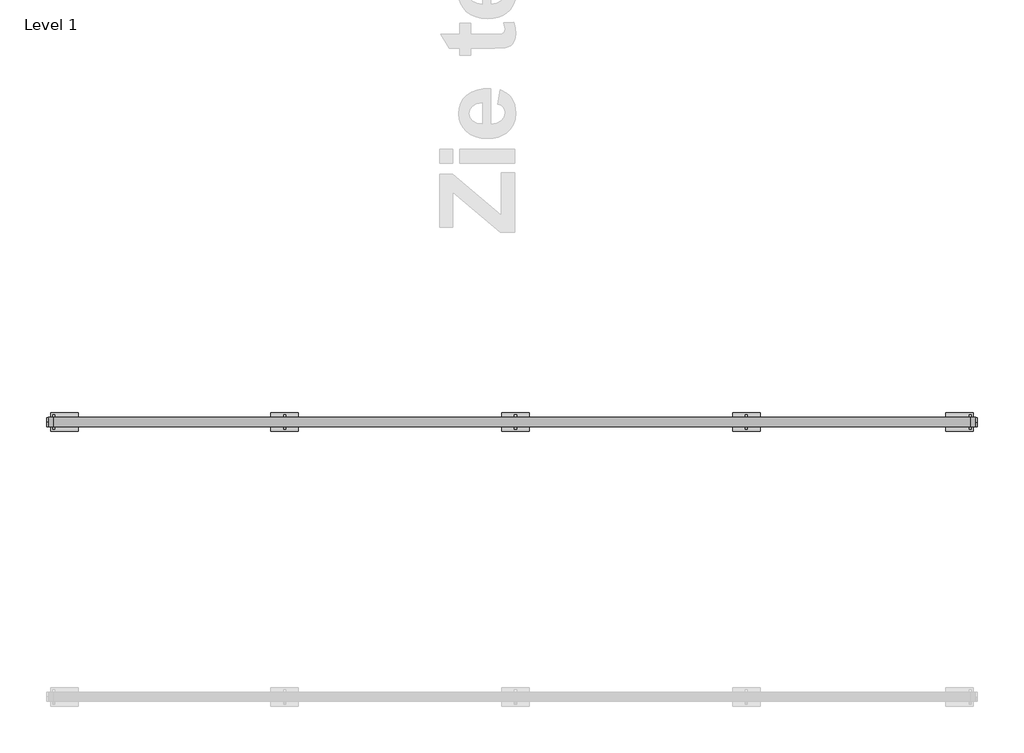
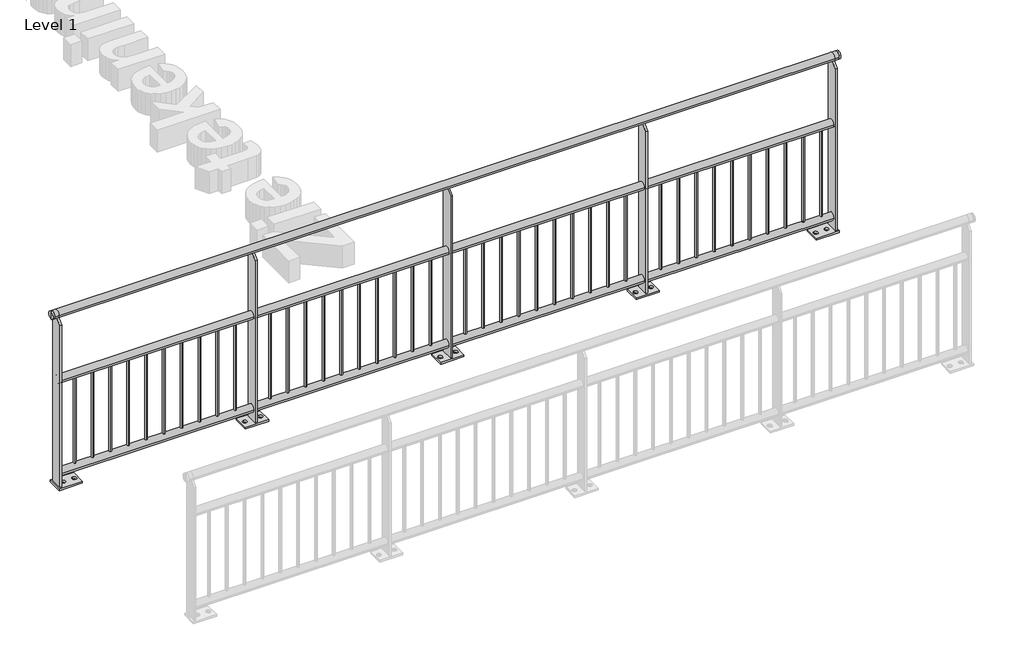
# One storey, part 5 of 20: 1 railing.
"""IFC4 building model written with IfcOpenShell, lengths in millimetres."""

from ifc_helpers import new_model, si_unit, point, frame, frame_2d, origin, origin_with_axes, place, context, project, spatial, polyline, circle_curve, trimmed, segment, composite_curve, outline, extrude, element, save
from ifc_brep_helpers import plane_surface, cylinder_surface, advanced_brep

model = new_model("IFC4")

# Units and contexts
model_context = context("Model", 3, world=origin())
ifc_project = project(units=[si_unit("LENGTHUNIT", "METRE", prefix="MILLI")], contexts=[model_context])

# Site, building, storey
site = spatial("IfcSite", under=ifc_project)
building = spatial("IfcBuilding", under=site)
storey = spatial("IfcBuildingStorey", under=building, Name="Level 1", Elevation=0.0)

# Railing
placement = place(None, origin())
element("IfcRailing", 1, at=placement, inside=storey, context=model_context, shape_type="SolidModel", body=[
    advanced_brep(
    [(7290.6479588, -7950.6318854, 1175.0), (7290.6479588, -7950.6318854, 1200.0), (7290.6479588, -7950.6318854, 1150.0), (7300.6479588, -7950.6318854, 1150.0), (7300.6479588, -7950.6318854, 1200.0), (7300.6479588, -7950.6318854, 1175.0)],
    [
        (0, 1),
        (1, 2, circle_curve(frame((7290.6479588, -7950.6318854, 1175.0), z_axis=(-1.0, 0.0, 0.0), x_axis=(0.0, 0.0, 1.0)), 25.0)),
        (2, 0),
        (2, 1, circle_curve(frame((7290.6479588, -7950.6318854, 1175.0), z_axis=(-1.0, 0.0, 0.0), x_axis=(0.0, 0.0, 1.0)), 25.0)),
        (3, 4, circle_curve(frame((7300.6479588, -7950.6318854, 1175.0), z_axis=(1.0, 0.0, 0.0), x_axis=(0.0, 0.0, 1.0)), 25.0)),
        (4, 5),
        (5, 3),
        (4, 3, circle_curve(frame((7300.6479588, -7950.6318854, 1175.0), z_axis=(1.0, 0.0, 0.0), x_axis=(0.0, 0.0, 1.0)), 25.0)),
        (1, 4),
        (3, 2),
    ],
    [
        plane_surface(frame((7290.6479588, -7950.6318854, 1175.0), z_axis=(-1.0, 0.0, 0.0), x_axis=(0.0, 0.0, 1.0))),
        plane_surface(frame((7300.6479588, -7950.6318854, 1175.0), z_axis=(1.0, 0.0, 0.0), x_axis=(0.0, 0.0, 1.0))),
        cylinder_surface(frame((7275.6479588, -7950.6318854, 1175.0), z_axis=(-1.0, 0.0, 0.0), x_axis=(0.0, 0.0, 1.0)), 25.0),
    ],
    [
        (0, [[1, 2, 3]]),
        (0, [[-3, 4, -1]]),
        (1, [[5, 6, 7]]),
        (1, [[8, -7, -6]]),
        (2, [[-2, 9, -5, 10]]),
        (2, [[-4, -10, -8, -9]]),
    ],
),
    advanced_brep(
    [(2229.1925079, -7950.6318854, 1175.0), (2229.1925079, -7950.6318854, 1200.0), (2229.1925079, -7950.6318854, 1150.0), (2219.1925079, -7950.6318854, 1150.0), (2219.1925079, -7950.6318854, 1200.0), (2219.1925079, -7950.6318854, 1175.0)],
    [
        (0, 1),
        (1, 2, circle_curve(frame((2229.1925079, -7950.6318854, 1175.0), z_axis=(1.0, 0.0, 0.0), x_axis=(0.0, 0.0, 1.0)), 25.0)),
        (2, 0),
        (2, 1, circle_curve(frame((2229.1925079, -7950.6318854, 1175.0), z_axis=(1.0, 0.0, 0.0), x_axis=(0.0, 0.0, 1.0)), 25.0)),
        (3, 4, circle_curve(frame((2219.1925079, -7950.6318854, 1175.0), z_axis=(-1.0, 0.0, 0.0), x_axis=(0.0, 0.0, 1.0)), 25.0)),
        (4, 5),
        (5, 3),
        (4, 3, circle_curve(frame((2219.1925079, -7950.6318854, 1175.0), z_axis=(-1.0, 0.0, 0.0), x_axis=(0.0, 0.0, 1.0)), 25.0)),
        (1, 4),
        (3, 2),
    ],
    [
        plane_surface(frame((2229.1925079, -7950.6318854, 1175.0), z_axis=(1.0, 0.0, 0.0), x_axis=(0.0, 0.0, 1.0))),
        plane_surface(frame((2219.1925079, -7950.6318854, 1175.0), z_axis=(-1.0, 0.0, 0.0), x_axis=(0.0, 0.0, 1.0))),
        cylinder_surface(frame((2244.1925079, -7950.6318854, 1175.0), z_axis=(1.0, 0.0, 0.0), x_axis=(0.0, 0.0, 1.0)), 25.0),
    ],
    [
        (0, [[1, 2, 3]]),
        (0, [[-3, 4, -1]]),
        (1, [[5, 6, 7]]),
        (1, [[8, -7, -6]]),
        (2, [[-2, 9, -5, 10]]),
        (2, [[-4, -10, -8, -9]]),
    ],
),
    advanced_brep(
    [(2259.1925079, -7925.6318854, 1175.0), (2259.1925079, -7975.6318854, 1175.0), (7260.6479588, -7975.6318854, 1175.0), (7260.6479588, -7925.6318854, 1175.0), (2229.1925079, -7975.6318854, 1175.0), (2229.1925079, -7925.6318854, 1175.0), (7290.6479588, -7975.6318854, 1175.0), (7290.6479588, -7925.6318854, 1175.0)],
    [
        (0, 1, circle_curve(frame((2259.1925079, -7950.6318854, 1175.0), z_axis=(1.0, 0.0, 0.0), x_axis=(0.0, 1.0, 0.0)), 25.0)),
        (1, 2),
        (2, 3, circle_curve(frame((7260.6479588, -7950.6318854, 1175.0), z_axis=(-1.0, 0.0, 0.0), x_axis=(0.0, 1.0, 0.0)), 25.0)),
        (3, 0),
        (1, 0, circle_curve(frame((2259.1925079, -7950.6318854, 1175.0), z_axis=(1.0, 0.0, 0.0), x_axis=(0.0, 1.0, 0.0)), 25.0)),
        (3, 2, circle_curve(frame((7260.6479588, -7950.6318854, 1175.0), z_axis=(-1.0, 0.0, 0.0), x_axis=(0.0, 1.0, 0.0)), 25.0)),
        (4, 5, circle_curve(frame((2229.1925079, -7950.6318854, 1175.0), z_axis=(-1.0, 0.0, 0.0), x_axis=(0.0, 1.0, 0.0)), 25.0)),
        (5, 4, circle_curve(frame((2229.1925079, -7950.6318854, 1175.0), z_axis=(-1.0, 0.0, 0.0), x_axis=(0.0, 1.0, 0.0)), 25.0)),
        (4, 1),
        (0, 5),
        (6, 7, circle_curve(frame((7290.6479588, -7950.6318854, 1175.0), z_axis=(1.0, 0.0, 0.0), x_axis=(0.0, 1.0, 0.0)), 25.0)),
        (7, 6, circle_curve(frame((7290.6479588, -7950.6318854, 1175.0), z_axis=(1.0, 0.0, 0.0), x_axis=(0.0, 1.0, 0.0)), 25.0)),
        (2, 6),
        (7, 3),
    ],
    [
        cylinder_surface(frame((2259.1925079, -7950.6318854, 1175.0), z_axis=(-1.0, 0.0, 0.0), x_axis=(0.0, 1.0, 0.0)), 25.0),
        plane_surface(frame((2229.1925079, -7950.6318854, 1200.0), z_axis=(-1.0, 0.0, 0.0), x_axis=(0.0, 1.0, 0.0))),
        cylinder_surface(frame((2229.1925079, -7950.6318854, 1175.0), z_axis=(-1.0, 0.0, 0.0), x_axis=(0.0, 1.0, 0.0)), 25.0),
        plane_surface(frame((7290.6479588, -7950.6318854, 1200.0), z_axis=(1.0, 0.0, 0.0), x_axis=(0.0, 1.0, 0.0))),
        cylinder_surface(frame((7260.6479588, -7950.6318854, 1175.0), z_axis=(-1.0, 0.0, 0.0), x_axis=(0.0, 1.0, 0.0)), 25.0),
    ],
    [
        (0, [[1, 2, 3, 4]]),
        (0, [[5, -4, 6, -2]]),
        (1, [[7, 8]]),
        (2, [[-7, 9, -1, 10]]),
        (2, [[-8, -10, -5, -9]]),
        (3, [[11, 12]]),
        (4, [[-3, 13, -12, 14]]),
        (4, [[-6, -14, -11, -13]]),
    ],
),
    extrude(outline(composite_curve([segment(trimmed(circle_curve(frame_2d((-7950.6318854, 725.0)), 25.0), [point((-7925.6318854, 725.0))], [point((-7975.6318854, 725.0))], False, "CARTESIAN"), True, "CONTINUOUS"), segment(trimmed(circle_curve(frame_2d((-7950.6318854, 725.0)), 25.0), [point((-7975.6318854, 725.0))], [point((-7925.6318854, 725.0))], False, "CARTESIAN"), True, "CONTINUOUS")], self_intersect=False)), frame((2259.1925079, 0.0, 0.0), z_axis=(1.0, 0.0, 0.0), x_axis=(0.0, 1.0, 0.0)), (0.0, 0.0, 1.0), 5001.4554508),
    extrude(outline(composite_curve([segment(trimmed(circle_curve(frame_2d((-7950.6318854, 90.0)), 25.0), [point((-7925.6318854, 90.0))], [point((-7975.6318854, 90.0))], False, "CARTESIAN"), True, "CONTINUOUS"), segment(trimmed(circle_curve(frame_2d((-7950.6318854, 90.0)), 25.0), [point((-7975.6318854, 90.0))], [point((-7925.6318854, 90.0))], False, "CARTESIAN"), True, "CONTINUOUS")], self_intersect=False)), frame((2259.1925079, 0.0, 0.0), z_axis=(1.0, 0.0, 0.0), x_axis=(0.0, 1.0, 0.0)), (0.0, 0.0, 1.0), 5001.4554508),
    extrude(outline(composite_curve([segment(trimmed(circle_curve(frame_2d((7186.6925079, -7950.6318854)), 7.5), [point((7186.6925079, -7943.1318854))], [point((7186.6925079, -7958.1318854))], False, "CARTESIAN"), True, "CONTINUOUS"), segment(trimmed(circle_curve(frame_2d((7186.6925079, -7950.6318854)), 7.5), [point((7186.6925079, -7958.1318854))], [point((7186.6925079, -7943.1318854))], False, "CARTESIAN"), True, "CONTINUOUS")], self_intersect=False)), frame((0.0, 0.0, 115.0), z_axis=(0.0, 0.0, 1.0), x_axis=(1.0, 0.0, 0.0)), (0.0, 0.0, 1.0), 585.0),
    extrude(outline(composite_curve([segment(trimmed(circle_curve(frame_2d((7071.6925079, -7950.6318854)), 7.5), [point((7071.6925079, -7943.1318854))], [point((7071.6925079, -7958.1318854))], False, "CARTESIAN"), True, "CONTINUOUS"), segment(trimmed(circle_curve(frame_2d((7071.6925079, -7950.6318854)), 7.5), [point((7071.6925079, -7958.1318854))], [point((7071.6925079, -7943.1318854))], False, "CARTESIAN"), True, "CONTINUOUS")], self_intersect=False)), frame((0.0, 0.0, 115.0), z_axis=(0.0, 0.0, 1.0), x_axis=(1.0, 0.0, 0.0)), (0.0, 0.0, 1.0), 585.0),
    extrude(outline(composite_curve([segment(trimmed(circle_curve(frame_2d((6956.6925079, -7950.6318854)), 7.5), [point((6956.6925079, -7943.1318854))], [point((6956.6925079, -7958.1318854))], False, "CARTESIAN"), True, "CONTINUOUS"), segment(trimmed(circle_curve(frame_2d((6956.6925079, -7950.6318854)), 7.5), [point((6956.6925079, -7958.1318854))], [point((6956.6925079, -7943.1318854))], False, "CARTESIAN"), True, "CONTINUOUS")], self_intersect=False)), frame((0.0, 0.0, 115.0), z_axis=(0.0, 0.0, 1.0), x_axis=(1.0, 0.0, 0.0)), (0.0, 0.0, 1.0), 585.0),
    extrude(outline(composite_curve([segment(trimmed(circle_curve(frame_2d((6841.6925079, -7950.6318854)), 7.5), [point((6841.6925079, -7943.1318854))], [point((6841.6925079, -7958.1318854))], False, "CARTESIAN"), True, "CONTINUOUS"), segment(trimmed(circle_curve(frame_2d((6841.6925079, -7950.6318854)), 7.5), [point((6841.6925079, -7958.1318854))], [point((6841.6925079, -7943.1318854))], False, "CARTESIAN"), True, "CONTINUOUS")], self_intersect=False)), frame((0.0, 0.0, 115.0), z_axis=(0.0, 0.0, 1.0), x_axis=(1.0, 0.0, 0.0)), (0.0, 0.0, 1.0), 585.0),
    extrude(outline(composite_curve([segment(trimmed(circle_curve(frame_2d((6726.6925079, -7950.6318854)), 7.5), [point((6726.6925079, -7943.1318854))], [point((6726.6925079, -7958.1318854))], False, "CARTESIAN"), True, "CONTINUOUS"), segment(trimmed(circle_curve(frame_2d((6726.6925079, -7950.6318854)), 7.5), [point((6726.6925079, -7958.1318854))], [point((6726.6925079, -7943.1318854))], False, "CARTESIAN"), True, "CONTINUOUS")], self_intersect=False)), frame((0.0, 0.0, 115.0), z_axis=(0.0, 0.0, 1.0), x_axis=(1.0, 0.0, 0.0)), (0.0, 0.0, 1.0), 585.0),
    extrude(outline(composite_curve([segment(trimmed(circle_curve(frame_2d((6611.6925079, -7950.6318854)), 7.5), [point((6611.6925079, -7943.1318854))], [point((6611.6925079, -7958.1318854))], False, "CARTESIAN"), True, "CONTINUOUS"), segment(trimmed(circle_curve(frame_2d((6611.6925079, -7950.6318854)), 7.5), [point((6611.6925079, -7958.1318854))], [point((6611.6925079, -7943.1318854))], False, "CARTESIAN"), True, "CONTINUOUS")], self_intersect=False)), frame((0.0, 0.0, 115.0), z_axis=(0.0, 0.0, 1.0), x_axis=(1.0, 0.0, 0.0)), (0.0, 0.0, 1.0), 585.0),
    extrude(outline(composite_curve([segment(trimmed(circle_curve(frame_2d((6496.6925079, -7950.6318854)), 7.5), [point((6496.6925079, -7943.1318854))], [point((6496.6925079, -7958.1318854))], False, "CARTESIAN"), True, "CONTINUOUS"), segment(trimmed(circle_curve(frame_2d((6496.6925079, -7950.6318854)), 7.5), [point((6496.6925079, -7958.1318854))], [point((6496.6925079, -7943.1318854))], False, "CARTESIAN"), True, "CONTINUOUS")], self_intersect=False)), frame((0.0, 0.0, 115.0), z_axis=(0.0, 0.0, 1.0), x_axis=(1.0, 0.0, 0.0)), (0.0, 0.0, 1.0), 585.0),
    extrude(outline(composite_curve([segment(trimmed(circle_curve(frame_2d((6381.6925079, -7950.6318854)), 7.5), [point((6381.6925079, -7943.1318854))], [point((6381.6925079, -7958.1318854))], False, "CARTESIAN"), True, "CONTINUOUS"), segment(trimmed(circle_curve(frame_2d((6381.6925079, -7950.6318854)), 7.5), [point((6381.6925079, -7958.1318854))], [point((6381.6925079, -7943.1318854))], False, "CARTESIAN"), True, "CONTINUOUS")], self_intersect=False)), frame((0.0, 0.0, 115.0), z_axis=(0.0, 0.0, 1.0), x_axis=(1.0, 0.0, 0.0)), (0.0, 0.0, 1.0), 585.0),
    extrude(outline(composite_curve([segment(trimmed(circle_curve(frame_2d((6266.6925079, -7950.6318854)), 7.5), [point((6266.6925079, -7943.1318854))], [point((6266.6925079, -7958.1318854))], False, "CARTESIAN"), True, "CONTINUOUS"), segment(trimmed(circle_curve(frame_2d((6266.6925079, -7950.6318854)), 7.5), [point((6266.6925079, -7958.1318854))], [point((6266.6925079, -7943.1318854))], False, "CARTESIAN"), True, "CONTINUOUS")], self_intersect=False)), frame((0.0, 0.0, 115.0), z_axis=(0.0, 0.0, 1.0), x_axis=(1.0, 0.0, 0.0)), (0.0, 0.0, 1.0), 585.0),
    extrude(outline(composite_curve([segment(trimmed(circle_curve(frame_2d((6151.6925079, -7950.6318854)), 7.5), [point((6151.6925079, -7943.1318854))], [point((6151.6925079, -7958.1318854))], False, "CARTESIAN"), True, "CONTINUOUS"), segment(trimmed(circle_curve(frame_2d((6151.6925079, -7950.6318854)), 7.5), [point((6151.6925079, -7958.1318854))], [point((6151.6925079, -7943.1318854))], False, "CARTESIAN"), True, "CONTINUOUS")], self_intersect=False)), frame((0.0, 0.0, 115.0), z_axis=(0.0, 0.0, 1.0), x_axis=(1.0, 0.0, 0.0)), (0.0, 0.0, 1.0), 585.0),
    extrude(outline(polyline([(-7910.6318854, 12.0), (-7990.6318854, 12.0), (-7990.6318854, 1117.5), (-7958.1318854, 1150.0), (-7943.1318854, 1150.0), (-7910.6318854, 1117.5), (-7910.6318854, 12.0)])), frame((6033.1925079, 0.0, 0.0), z_axis=(1.0, 0.0, 0.0), x_axis=(0.0, 1.0, 0.0)), (0.0, 0.0, 1.0), 12.0),
    extrude(outline(polyline([(5964.1925079, -7900.6318854), (6114.1925079, -7900.6318854), (6114.1925079, -8000.6318854), (5964.1925079, -8000.6318854), (5964.1925079, -7900.6318854)]), holes=[composite_curve([segment(trimmed(circle_curve(frame_2d((5989.1925079, -7950.6318854)), 13.5), [point((5989.1925079, -7964.1318854))], [point((5989.1925079, -7937.1318854))], True, "CARTESIAN"), True, "CONTINUOUS"), segment(trimmed(circle_curve(frame_2d((5989.1925079, -7950.6318854)), 13.5), [point((5989.1925079, -7937.1318854))], [point((5989.1925079, -7964.1318854))], True, "CARTESIAN"), True, "CONTINUOUS")], self_intersect=False), composite_curve([segment(trimmed(circle_curve(frame_2d((6089.1925079, -7950.6318854)), 13.5), [point((6089.1925079, -7964.1318854))], [point((6089.1925079, -7937.1318854))], True, "CARTESIAN"), True, "CONTINUOUS"), segment(trimmed(circle_curve(frame_2d((6089.1925079, -7950.6318854)), 13.5), [point((6089.1925079, -7937.1318854))], [point((6089.1925079, -7964.1318854))], True, "CARTESIAN"), True, "CONTINUOUS")], self_intersect=False)]), origin_with_axes(), (0.0, 0.0, 1.0), 12.0),
    extrude(outline(composite_curve([segment(trimmed(circle_curve(frame_2d((5926.6925079, -7950.6318854)), 7.5), [point((5926.6925079, -7943.1318854))], [point((5926.6925079, -7958.1318854))], False, "CARTESIAN"), True, "CONTINUOUS"), segment(trimmed(circle_curve(frame_2d((5926.6925079, -7950.6318854)), 7.5), [point((5926.6925079, -7958.1318854))], [point((5926.6925079, -7943.1318854))], False, "CARTESIAN"), True, "CONTINUOUS")], self_intersect=False)), frame((0.0, 0.0, 115.0), z_axis=(0.0, 0.0, 1.0), x_axis=(1.0, 0.0, 0.0)), (0.0, 0.0, 1.0), 585.0),
    extrude(outline(composite_curve([segment(trimmed(circle_curve(frame_2d((5811.6925079, -7950.6318854)), 7.5), [point((5811.6925079, -7943.1318854))], [point((5811.6925079, -7958.1318854))], False, "CARTESIAN"), True, "CONTINUOUS"), segment(trimmed(circle_curve(frame_2d((5811.6925079, -7950.6318854)), 7.5), [point((5811.6925079, -7958.1318854))], [point((5811.6925079, -7943.1318854))], False, "CARTESIAN"), True, "CONTINUOUS")], self_intersect=False)), frame((0.0, 0.0, 115.0), z_axis=(0.0, 0.0, 1.0), x_axis=(1.0, 0.0, 0.0)), (0.0, 0.0, 1.0), 585.0),
    extrude(outline(composite_curve([segment(trimmed(circle_curve(frame_2d((5696.6925079, -7950.6318854)), 7.5), [point((5696.6925079, -7943.1318854))], [point((5696.6925079, -7958.1318854))], False, "CARTESIAN"), True, "CONTINUOUS"), segment(trimmed(circle_curve(frame_2d((5696.6925079, -7950.6318854)), 7.5), [point((5696.6925079, -7958.1318854))], [point((5696.6925079, -7943.1318854))], False, "CARTESIAN"), True, "CONTINUOUS")], self_intersect=False)), frame((0.0, 0.0, 115.0), z_axis=(0.0, 0.0, 1.0), x_axis=(1.0, 0.0, 0.0)), (0.0, 0.0, 1.0), 585.0),
    extrude(outline(composite_curve([segment(trimmed(circle_curve(frame_2d((5581.6925079, -7950.6318854)), 7.5), [point((5581.6925079, -7943.1318854))], [point((5581.6925079, -7958.1318854))], False, "CARTESIAN"), True, "CONTINUOUS"), segment(trimmed(circle_curve(frame_2d((5581.6925079, -7950.6318854)), 7.5), [point((5581.6925079, -7958.1318854))], [point((5581.6925079, -7943.1318854))], False, "CARTESIAN"), True, "CONTINUOUS")], self_intersect=False)), frame((0.0, 0.0, 115.0), z_axis=(0.0, 0.0, 1.0), x_axis=(1.0, 0.0, 0.0)), (0.0, 0.0, 1.0), 585.0),
    extrude(outline(composite_curve([segment(trimmed(circle_curve(frame_2d((5466.6925079, -7950.6318854)), 7.5), [point((5466.6925079, -7943.1318854))], [point((5466.6925079, -7958.1318854))], False, "CARTESIAN"), True, "CONTINUOUS"), segment(trimmed(circle_curve(frame_2d((5466.6925079, -7950.6318854)), 7.5), [point((5466.6925079, -7958.1318854))], [point((5466.6925079, -7943.1318854))], False, "CARTESIAN"), True, "CONTINUOUS")], self_intersect=False)), frame((0.0, 0.0, 115.0), z_axis=(0.0, 0.0, 1.0), x_axis=(1.0, 0.0, 0.0)), (0.0, 0.0, 1.0), 585.0),
    extrude(outline(composite_curve([segment(trimmed(circle_curve(frame_2d((5351.6925079, -7950.6318854)), 7.5), [point((5351.6925079, -7943.1318854))], [point((5351.6925079, -7958.1318854))], False, "CARTESIAN"), True, "CONTINUOUS"), segment(trimmed(circle_curve(frame_2d((5351.6925079, -7950.6318854)), 7.5), [point((5351.6925079, -7958.1318854))], [point((5351.6925079, -7943.1318854))], False, "CARTESIAN"), True, "CONTINUOUS")], self_intersect=False)), frame((0.0, 0.0, 115.0), z_axis=(0.0, 0.0, 1.0), x_axis=(1.0, 0.0, 0.0)), (0.0, 0.0, 1.0), 585.0),
    extrude(outline(composite_curve([segment(trimmed(circle_curve(frame_2d((5236.6925079, -7950.6318854)), 7.5), [point((5236.6925079, -7943.1318854))], [point((5236.6925079, -7958.1318854))], False, "CARTESIAN"), True, "CONTINUOUS"), segment(trimmed(circle_curve(frame_2d((5236.6925079, -7950.6318854)), 7.5), [point((5236.6925079, -7958.1318854))], [point((5236.6925079, -7943.1318854))], False, "CARTESIAN"), True, "CONTINUOUS")], self_intersect=False)), frame((0.0, 0.0, 115.0), z_axis=(0.0, 0.0, 1.0), x_axis=(1.0, 0.0, 0.0)), (0.0, 0.0, 1.0), 585.0),
    extrude(outline(composite_curve([segment(trimmed(circle_curve(frame_2d((5121.6925079, -7950.6318854)), 7.5), [point((5121.6925079, -7943.1318854))], [point((5121.6925079, -7958.1318854))], False, "CARTESIAN"), True, "CONTINUOUS"), segment(trimmed(circle_curve(frame_2d((5121.6925079, -7950.6318854)), 7.5), [point((5121.6925079, -7958.1318854))], [point((5121.6925079, -7943.1318854))], False, "CARTESIAN"), True, "CONTINUOUS")], self_intersect=False)), frame((0.0, 0.0, 115.0), z_axis=(0.0, 0.0, 1.0), x_axis=(1.0, 0.0, 0.0)), (0.0, 0.0, 1.0), 585.0),
    extrude(outline(composite_curve([segment(trimmed(circle_curve(frame_2d((5006.6925079, -7950.6318854)), 7.5), [point((5006.6925079, -7943.1318854))], [point((5006.6925079, -7958.1318854))], False, "CARTESIAN"), True, "CONTINUOUS"), segment(trimmed(circle_curve(frame_2d((5006.6925079, -7950.6318854)), 7.5), [point((5006.6925079, -7958.1318854))], [point((5006.6925079, -7943.1318854))], False, "CARTESIAN"), True, "CONTINUOUS")], self_intersect=False)), frame((0.0, 0.0, 115.0), z_axis=(0.0, 0.0, 1.0), x_axis=(1.0, 0.0, 0.0)), (0.0, 0.0, 1.0), 585.0),
    extrude(outline(composite_curve([segment(trimmed(circle_curve(frame_2d((4891.6925079, -7950.6318854)), 7.5), [point((4891.6925079, -7943.1318854))], [point((4891.6925079, -7958.1318854))], False, "CARTESIAN"), True, "CONTINUOUS"), segment(trimmed(circle_curve(frame_2d((4891.6925079, -7950.6318854)), 7.5), [point((4891.6925079, -7958.1318854))], [point((4891.6925079, -7943.1318854))], False, "CARTESIAN"), True, "CONTINUOUS")], self_intersect=False)), frame((0.0, 0.0, 115.0), z_axis=(0.0, 0.0, 1.0), x_axis=(1.0, 0.0, 0.0)), (0.0, 0.0, 1.0), 585.0),
    extrude(outline(polyline([(-7910.6318854, 12.0), (-7990.6318854, 12.0), (-7990.6318854, 1117.5), (-7958.1318854, 1150.0), (-7943.1318854, 1150.0), (-7910.6318854, 1117.5), (-7910.6318854, 12.0)])), frame((4773.1925079, 0.0, 0.0), z_axis=(1.0, 0.0, 0.0), x_axis=(0.0, 1.0, 0.0)), (0.0, 0.0, 1.0), 12.0),
    extrude(outline(polyline([(4704.1925079, -7900.6318854), (4854.1925079, -7900.6318854), (4854.1925079, -8000.6318854), (4704.1925079, -8000.6318854), (4704.1925079, -7900.6318854)]), holes=[composite_curve([segment(trimmed(circle_curve(frame_2d((4729.1925079, -7950.6318854)), 13.5), [point((4729.1925079, -7964.1318854))], [point((4729.1925079, -7937.1318854))], True, "CARTESIAN"), True, "CONTINUOUS"), segment(trimmed(circle_curve(frame_2d((4729.1925079, -7950.6318854)), 13.5), [point((4729.1925079, -7937.1318854))], [point((4729.1925079, -7964.1318854))], True, "CARTESIAN"), True, "CONTINUOUS")], self_intersect=False), composite_curve([segment(trimmed(circle_curve(frame_2d((4829.1925079, -7950.6318854)), 13.5), [point((4829.1925079, -7964.1318854))], [point((4829.1925079, -7937.1318854))], True, "CARTESIAN"), True, "CONTINUOUS"), segment(trimmed(circle_curve(frame_2d((4829.1925079, -7950.6318854)), 13.5), [point((4829.1925079, -7937.1318854))], [point((4829.1925079, -7964.1318854))], True, "CARTESIAN"), True, "CONTINUOUS")], self_intersect=False)]), origin_with_axes(), (0.0, 0.0, 1.0), 12.0),
    extrude(outline(composite_curve([segment(trimmed(circle_curve(frame_2d((4666.6925079, -7950.6318854)), 7.5), [point((4666.6925079, -7943.1318854))], [point((4666.6925079, -7958.1318854))], False, "CARTESIAN"), True, "CONTINUOUS"), segment(trimmed(circle_curve(frame_2d((4666.6925079, -7950.6318854)), 7.5), [point((4666.6925079, -7958.1318854))], [point((4666.6925079, -7943.1318854))], False, "CARTESIAN"), True, "CONTINUOUS")], self_intersect=False)), frame((0.0, 0.0, 115.0), z_axis=(0.0, 0.0, 1.0), x_axis=(1.0, 0.0, 0.0)), (0.0, 0.0, 1.0), 585.0),
    extrude(outline(composite_curve([segment(trimmed(circle_curve(frame_2d((4551.6925079, -7950.6318854)), 7.5), [point((4551.6925079, -7943.1318854))], [point((4551.6925079, -7958.1318854))], False, "CARTESIAN"), True, "CONTINUOUS"), segment(trimmed(circle_curve(frame_2d((4551.6925079, -7950.6318854)), 7.5), [point((4551.6925079, -7958.1318854))], [point((4551.6925079, -7943.1318854))], False, "CARTESIAN"), True, "CONTINUOUS")], self_intersect=False)), frame((0.0, 0.0, 115.0), z_axis=(0.0, 0.0, 1.0), x_axis=(1.0, 0.0, 0.0)), (0.0, 0.0, 1.0), 585.0),
    extrude(outline(composite_curve([segment(trimmed(circle_curve(frame_2d((4436.6925079, -7950.6318854)), 7.5), [point((4436.6925079, -7943.1318854))], [point((4436.6925079, -7958.1318854))], False, "CARTESIAN"), True, "CONTINUOUS"), segment(trimmed(circle_curve(frame_2d((4436.6925079, -7950.6318854)), 7.5), [point((4436.6925079, -7958.1318854))], [point((4436.6925079, -7943.1318854))], False, "CARTESIAN"), True, "CONTINUOUS")], self_intersect=False)), frame((0.0, 0.0, 115.0), z_axis=(0.0, 0.0, 1.0), x_axis=(1.0, 0.0, 0.0)), (0.0, 0.0, 1.0), 585.0),
    extrude(outline(composite_curve([segment(trimmed(circle_curve(frame_2d((4321.6925079, -7950.6318854)), 7.5), [point((4321.6925079, -7943.1318854))], [point((4321.6925079, -7958.1318854))], False, "CARTESIAN"), True, "CONTINUOUS"), segment(trimmed(circle_curve(frame_2d((4321.6925079, -7950.6318854)), 7.5), [point((4321.6925079, -7958.1318854))], [point((4321.6925079, -7943.1318854))], False, "CARTESIAN"), True, "CONTINUOUS")], self_intersect=False)), frame((0.0, 0.0, 115.0), z_axis=(0.0, 0.0, 1.0), x_axis=(1.0, 0.0, 0.0)), (0.0, 0.0, 1.0), 585.0),
    extrude(outline(composite_curve([segment(trimmed(circle_curve(frame_2d((4206.6925079, -7950.6318854)), 7.5), [point((4206.6925079, -7943.1318854))], [point((4206.6925079, -7958.1318854))], False, "CARTESIAN"), True, "CONTINUOUS"), segment(trimmed(circle_curve(frame_2d((4206.6925079, -7950.6318854)), 7.5), [point((4206.6925079, -7958.1318854))], [point((4206.6925079, -7943.1318854))], False, "CARTESIAN"), True, "CONTINUOUS")], self_intersect=False)), frame((0.0, 0.0, 115.0), z_axis=(0.0, 0.0, 1.0), x_axis=(1.0, 0.0, 0.0)), (0.0, 0.0, 1.0), 585.0),
    extrude(outline(composite_curve([segment(trimmed(circle_curve(frame_2d((4091.6925079, -7950.6318854)), 7.5), [point((4091.6925079, -7943.1318854))], [point((4091.6925079, -7958.1318854))], False, "CARTESIAN"), True, "CONTINUOUS"), segment(trimmed(circle_curve(frame_2d((4091.6925079, -7950.6318854)), 7.5), [point((4091.6925079, -7958.1318854))], [point((4091.6925079, -7943.1318854))], False, "CARTESIAN"), True, "CONTINUOUS")], self_intersect=False)), frame((0.0, 0.0, 115.0), z_axis=(0.0, 0.0, 1.0), x_axis=(1.0, 0.0, 0.0)), (0.0, 0.0, 1.0), 585.0),
    extrude(outline(composite_curve([segment(trimmed(circle_curve(frame_2d((3976.6925079, -7950.6318854)), 7.5), [point((3976.6925079, -7943.1318854))], [point((3976.6925079, -7958.1318854))], False, "CARTESIAN"), True, "CONTINUOUS"), segment(trimmed(circle_curve(frame_2d((3976.6925079, -7950.6318854)), 7.5), [point((3976.6925079, -7958.1318854))], [point((3976.6925079, -7943.1318854))], False, "CARTESIAN"), True, "CONTINUOUS")], self_intersect=False)), frame((0.0, 0.0, 115.0), z_axis=(0.0, 0.0, 1.0), x_axis=(1.0, 0.0, 0.0)), (0.0, 0.0, 1.0), 585.0),
    extrude(outline(composite_curve([segment(trimmed(circle_curve(frame_2d((3861.6925079, -7950.6318854)), 7.5), [point((3861.6925079, -7943.1318854))], [point((3861.6925079, -7958.1318854))], False, "CARTESIAN"), True, "CONTINUOUS"), segment(trimmed(circle_curve(frame_2d((3861.6925079, -7950.6318854)), 7.5), [point((3861.6925079, -7958.1318854))], [point((3861.6925079, -7943.1318854))], False, "CARTESIAN"), True, "CONTINUOUS")], self_intersect=False)), frame((0.0, 0.0, 115.0), z_axis=(0.0, 0.0, 1.0), x_axis=(1.0, 0.0, 0.0)), (0.0, 0.0, 1.0), 585.0),
    extrude(outline(composite_curve([segment(trimmed(circle_curve(frame_2d((3746.6925079, -7950.6318854)), 7.5), [point((3746.6925079, -7943.1318854))], [point((3746.6925079, -7958.1318854))], False, "CARTESIAN"), True, "CONTINUOUS"), segment(trimmed(circle_curve(frame_2d((3746.6925079, -7950.6318854)), 7.5), [point((3746.6925079, -7958.1318854))], [point((3746.6925079, -7943.1318854))], False, "CARTESIAN"), True, "CONTINUOUS")], self_intersect=False)), frame((0.0, 0.0, 115.0), z_axis=(0.0, 0.0, 1.0), x_axis=(1.0, 0.0, 0.0)), (0.0, 0.0, 1.0), 585.0),
    extrude(outline(composite_curve([segment(trimmed(circle_curve(frame_2d((3631.6925079, -7950.6318854)), 7.5), [point((3631.6925079, -7943.1318854))], [point((3631.6925079, -7958.1318854))], False, "CARTESIAN"), True, "CONTINUOUS"), segment(trimmed(circle_curve(frame_2d((3631.6925079, -7950.6318854)), 7.5), [point((3631.6925079, -7958.1318854))], [point((3631.6925079, -7943.1318854))], False, "CARTESIAN"), True, "CONTINUOUS")], self_intersect=False)), frame((0.0, 0.0, 115.0), z_axis=(0.0, 0.0, 1.0), x_axis=(1.0, 0.0, 0.0)), (0.0, 0.0, 1.0), 585.0),
    extrude(outline(polyline([(-7910.6318854, 12.0), (-7990.6318854, 12.0), (-7990.6318854, 1117.5), (-7958.1318854, 1150.0), (-7943.1318854, 1150.0), (-7910.6318854, 1117.5), (-7910.6318854, 12.0)])), frame((3513.1925079, 0.0, 0.0), z_axis=(1.0, 0.0, 0.0), x_axis=(0.0, 1.0, 0.0)), (0.0, 0.0, 1.0), 12.0),
    extrude(outline(polyline([(3444.1925079, -7900.6318854), (3594.1925079, -7900.6318854), (3594.1925079, -8000.6318854), (3444.1925079, -8000.6318854), (3444.1925079, -7900.6318854)]), holes=[composite_curve([segment(trimmed(circle_curve(frame_2d((3469.1925079, -7950.6318854)), 13.5), [point((3469.1925079, -7964.1318854))], [point((3469.1925079, -7937.1318854))], True, "CARTESIAN"), True, "CONTINUOUS"), segment(trimmed(circle_curve(frame_2d((3469.1925079, -7950.6318854)), 13.5), [point((3469.1925079, -7937.1318854))], [point((3469.1925079, -7964.1318854))], True, "CARTESIAN"), True, "CONTINUOUS")], self_intersect=False), composite_curve([segment(trimmed(circle_curve(frame_2d((3569.1925079, -7950.6318854)), 13.5), [point((3569.1925079, -7964.1318854))], [point((3569.1925079, -7937.1318854))], True, "CARTESIAN"), True, "CONTINUOUS"), segment(trimmed(circle_curve(frame_2d((3569.1925079, -7950.6318854)), 13.5), [point((3569.1925079, -7937.1318854))], [point((3569.1925079, -7964.1318854))], True, "CARTESIAN"), True, "CONTINUOUS")], self_intersect=False)]), origin_with_axes(), (0.0, 0.0, 1.0), 12.0),
    extrude(outline(composite_curve([segment(trimmed(circle_curve(frame_2d((3406.6925079, -7950.6318854)), 7.5), [point((3406.6925079, -7943.1318854))], [point((3406.6925079, -7958.1318854))], False, "CARTESIAN"), True, "CONTINUOUS"), segment(trimmed(circle_curve(frame_2d((3406.6925079, -7950.6318854)), 7.5), [point((3406.6925079, -7958.1318854))], [point((3406.6925079, -7943.1318854))], False, "CARTESIAN"), True, "CONTINUOUS")], self_intersect=False)), frame((0.0, 0.0, 115.0), z_axis=(0.0, 0.0, 1.0), x_axis=(1.0, 0.0, 0.0)), (0.0, 0.0, 1.0), 585.0),
    extrude(outline(composite_curve([segment(trimmed(circle_curve(frame_2d((3291.6925079, -7950.6318854)), 7.5), [point((3291.6925079, -7943.1318854))], [point((3291.6925079, -7958.1318854))], False, "CARTESIAN"), True, "CONTINUOUS"), segment(trimmed(circle_curve(frame_2d((3291.6925079, -7950.6318854)), 7.5), [point((3291.6925079, -7958.1318854))], [point((3291.6925079, -7943.1318854))], False, "CARTESIAN"), True, "CONTINUOUS")], self_intersect=False)), frame((0.0, 0.0, 115.0), z_axis=(0.0, 0.0, 1.0), x_axis=(1.0, 0.0, 0.0)), (0.0, 0.0, 1.0), 585.0),
    extrude(outline(composite_curve([segment(trimmed(circle_curve(frame_2d((3176.6925079, -7950.6318854)), 7.5), [point((3176.6925079, -7943.1318854))], [point((3176.6925079, -7958.1318854))], False, "CARTESIAN"), True, "CONTINUOUS"), segment(trimmed(circle_curve(frame_2d((3176.6925079, -7950.6318854)), 7.5), [point((3176.6925079, -7958.1318854))], [point((3176.6925079, -7943.1318854))], False, "CARTESIAN"), True, "CONTINUOUS")], self_intersect=False)), frame((0.0, 0.0, 115.0), z_axis=(0.0, 0.0, 1.0), x_axis=(1.0, 0.0, 0.0)), (0.0, 0.0, 1.0), 585.0),
    extrude(outline(composite_curve([segment(trimmed(circle_curve(frame_2d((3061.6925079, -7950.6318854)), 7.5), [point((3061.6925079, -7943.1318854))], [point((3061.6925079, -7958.1318854))], False, "CARTESIAN"), True, "CONTINUOUS"), segment(trimmed(circle_curve(frame_2d((3061.6925079, -7950.6318854)), 7.5), [point((3061.6925079, -7958.1318854))], [point((3061.6925079, -7943.1318854))], False, "CARTESIAN"), True, "CONTINUOUS")], self_intersect=False)), frame((0.0, 0.0, 115.0), z_axis=(0.0, 0.0, 1.0), x_axis=(1.0, 0.0, 0.0)), (0.0, 0.0, 1.0), 585.0),
    extrude(outline(composite_curve([segment(trimmed(circle_curve(frame_2d((2946.6925079, -7950.6318854)), 7.5), [point((2946.6925079, -7943.1318854))], [point((2946.6925079, -7958.1318854))], False, "CARTESIAN"), True, "CONTINUOUS"), segment(trimmed(circle_curve(frame_2d((2946.6925079, -7950.6318854)), 7.5), [point((2946.6925079, -7958.1318854))], [point((2946.6925079, -7943.1318854))], False, "CARTESIAN"), True, "CONTINUOUS")], self_intersect=False)), frame((0.0, 0.0, 115.0), z_axis=(0.0, 0.0, 1.0), x_axis=(1.0, 0.0, 0.0)), (0.0, 0.0, 1.0), 585.0),
    extrude(outline(composite_curve([segment(trimmed(circle_curve(frame_2d((2831.6925079, -7950.6318854)), 7.5), [point((2831.6925079, -7943.1318854))], [point((2831.6925079, -7958.1318854))], False, "CARTESIAN"), True, "CONTINUOUS"), segment(trimmed(circle_curve(frame_2d((2831.6925079, -7950.6318854)), 7.5), [point((2831.6925079, -7958.1318854))], [point((2831.6925079, -7943.1318854))], False, "CARTESIAN"), True, "CONTINUOUS")], self_intersect=False)), frame((0.0, 0.0, 115.0), z_axis=(0.0, 0.0, 1.0), x_axis=(1.0, 0.0, 0.0)), (0.0, 0.0, 1.0), 585.0),
    extrude(outline(composite_curve([segment(trimmed(circle_curve(frame_2d((2716.6925079, -7950.6318854)), 7.5), [point((2716.6925079, -7943.1318854))], [point((2716.6925079, -7958.1318854))], False, "CARTESIAN"), True, "CONTINUOUS"), segment(trimmed(circle_curve(frame_2d((2716.6925079, -7950.6318854)), 7.5), [point((2716.6925079, -7958.1318854))], [point((2716.6925079, -7943.1318854))], False, "CARTESIAN"), True, "CONTINUOUS")], self_intersect=False)), frame((0.0, 0.0, 115.0), z_axis=(0.0, 0.0, 1.0), x_axis=(1.0, 0.0, 0.0)), (0.0, 0.0, 1.0), 585.0),
    extrude(outline(composite_curve([segment(trimmed(circle_curve(frame_2d((2601.6925079, -7950.6318854)), 7.5), [point((2601.6925079, -7943.1318854))], [point((2601.6925079, -7958.1318854))], False, "CARTESIAN"), True, "CONTINUOUS"), segment(trimmed(circle_curve(frame_2d((2601.6925079, -7950.6318854)), 7.5), [point((2601.6925079, -7958.1318854))], [point((2601.6925079, -7943.1318854))], False, "CARTESIAN"), True, "CONTINUOUS")], self_intersect=False)), frame((0.0, 0.0, 115.0), z_axis=(0.0, 0.0, 1.0), x_axis=(1.0, 0.0, 0.0)), (0.0, 0.0, 1.0), 585.0),
    extrude(outline(composite_curve([segment(trimmed(circle_curve(frame_2d((2486.6925079, -7950.6318854)), 7.5), [point((2486.6925079, -7943.1318854))], [point((2486.6925079, -7958.1318854))], False, "CARTESIAN"), True, "CONTINUOUS"), segment(trimmed(circle_curve(frame_2d((2486.6925079, -7950.6318854)), 7.5), [point((2486.6925079, -7958.1318854))], [point((2486.6925079, -7943.1318854))], False, "CARTESIAN"), True, "CONTINUOUS")], self_intersect=False)), frame((0.0, 0.0, 115.0), z_axis=(0.0, 0.0, 1.0), x_axis=(1.0, 0.0, 0.0)), (0.0, 0.0, 1.0), 585.0),
    extrude(outline(composite_curve([segment(trimmed(circle_curve(frame_2d((2371.6925079, -7950.6318854)), 7.5), [point((2371.6925079, -7943.1318854))], [point((2371.6925079, -7958.1318854))], False, "CARTESIAN"), True, "CONTINUOUS"), segment(trimmed(circle_curve(frame_2d((2371.6925079, -7950.6318854)), 7.5), [point((2371.6925079, -7958.1318854))], [point((2371.6925079, -7943.1318854))], False, "CARTESIAN"), True, "CONTINUOUS")], self_intersect=False)), frame((0.0, 0.0, 115.0), z_axis=(0.0, 0.0, 1.0), x_axis=(1.0, 0.0, 0.0)), (0.0, 0.0, 1.0), 585.0),
    extrude(outline(polyline([(-7910.6318854, 12.0), (-7990.6318854, 12.0), (-7990.6318854, 1117.5), (-7958.1318854, 1150.0), (-7943.1318854, 1150.0), (-7910.6318854, 1117.5), (-7910.6318854, 12.0)])), frame((7254.6479588, 0.0, 0.0), z_axis=(1.0, 0.0, 0.0), x_axis=(0.0, 1.0, 0.0)), (0.0, 0.0, 1.0), 12.0),
    extrude(outline(polyline([(7126.6479588, -7900.6318854), (7276.6479588, -7900.6318854), (7276.6479588, -8000.6318854), (7126.6479588, -8000.6318854), (7126.6479588, -7900.6318854)]), holes=[composite_curve([segment(trimmed(circle_curve(frame_2d((7151.6479588, -7950.6318854)), 13.5), [point((7151.6479588, -7964.1318854))], [point((7151.6479588, -7937.1318854))], True, "CARTESIAN"), True, "CONTINUOUS"), segment(trimmed(circle_curve(frame_2d((7151.6479588, -7950.6318854)), 13.5), [point((7151.6479588, -7937.1318854))], [point((7151.6479588, -7964.1318854))], True, "CARTESIAN"), True, "CONTINUOUS")], self_intersect=False), composite_curve([segment(trimmed(circle_curve(frame_2d((7221.6479588, -7950.6318854)), 13.5), [point((7221.6479588, -7964.1318854))], [point((7221.6479588, -7937.1318854))], True, "CARTESIAN"), True, "CONTINUOUS"), segment(trimmed(circle_curve(frame_2d((7221.6479588, -7950.6318854)), 13.5), [point((7221.6479588, -7937.1318854))], [point((7221.6479588, -7964.1318854))], True, "CARTESIAN"), True, "CONTINUOUS")], self_intersect=False)]), origin_with_axes(), (0.0, 0.0, 1.0), 12.0),
    extrude(outline(polyline([(-7910.6318854, 12.0), (-7990.6318854, 12.0), (-7990.6318854, 1117.5), (-7958.1318854, 1150.0), (-7943.1318854, 1150.0), (-7910.6318854, 1117.5), (-7910.6318854, 12.0)])), frame((2253.1925079, 0.0, 0.0), z_axis=(1.0, 0.0, 0.0), x_axis=(0.0, 1.0, 0.0)), (0.0, 0.0, 1.0), 12.0),
    extrude(outline(polyline([(2243.1925079, -7900.6318854), (2393.1925079, -7900.6318854), (2393.1925079, -8000.6318854), (2243.1925079, -8000.6318854), (2243.1925079, -7900.6318854)]), holes=[composite_curve([segment(trimmed(circle_curve(frame_2d((2298.1925079, -7950.6318854)), 13.5), [point((2298.1925079, -7964.1318854))], [point((2298.1925079, -7937.1318854))], True, "CARTESIAN"), True, "CONTINUOUS"), segment(trimmed(circle_curve(frame_2d((2298.1925079, -7950.6318854)), 13.5), [point((2298.1925079, -7937.1318854))], [point((2298.1925079, -7964.1318854))], True, "CARTESIAN"), True, "CONTINUOUS")], self_intersect=False), composite_curve([segment(trimmed(circle_curve(frame_2d((2368.1925079, -7950.6318854)), 13.5), [point((2368.1925079, -7964.1318854))], [point((2368.1925079, -7937.1318854))], True, "CARTESIAN"), True, "CONTINUOUS"), segment(trimmed(circle_curve(frame_2d((2368.1925079, -7950.6318854)), 13.5), [point((2368.1925079, -7937.1318854))], [point((2368.1925079, -7964.1318854))], True, "CARTESIAN"), True, "CONTINUOUS")], self_intersect=False)]), origin_with_axes(), (0.0, 0.0, 1.0), 12.0),
])

save(model, "model.ifc")
